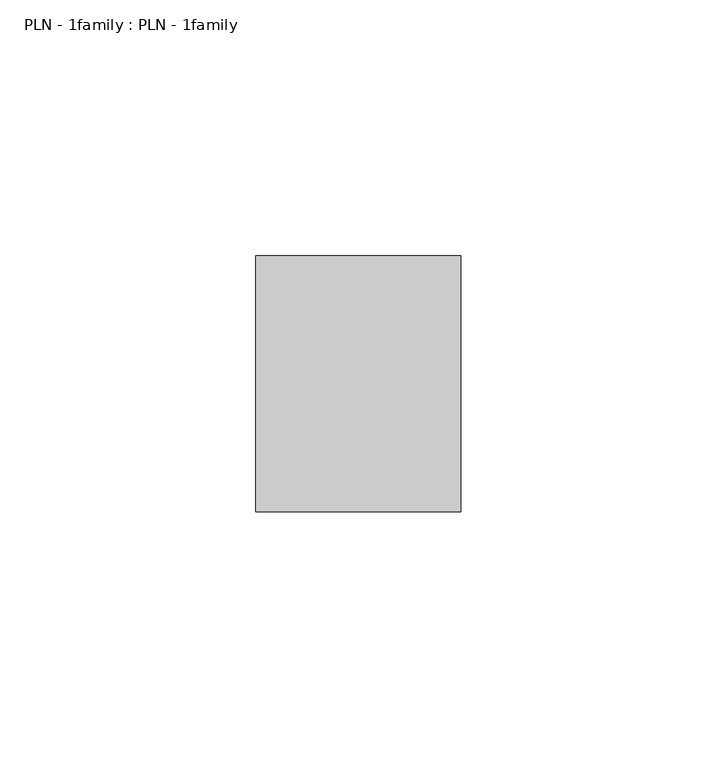
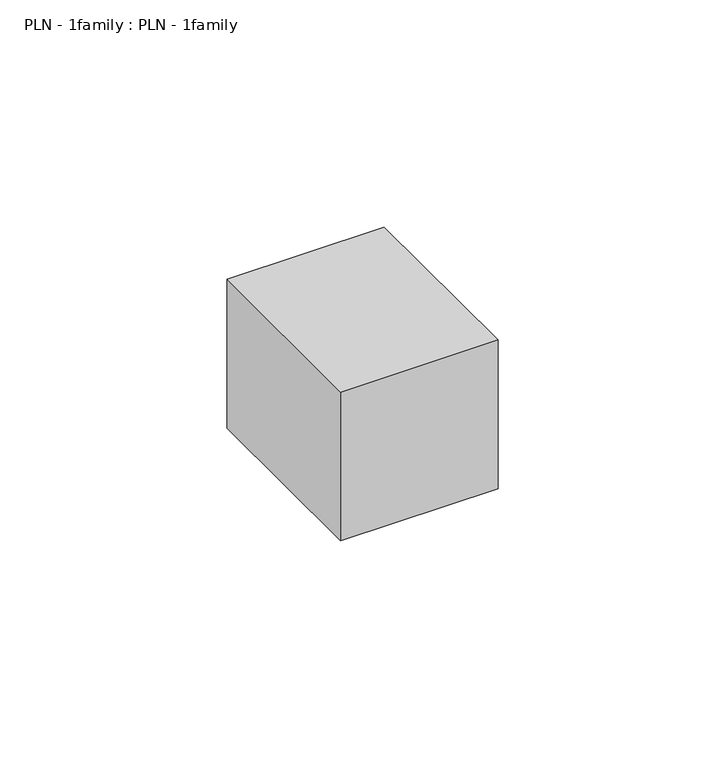
"""IFC4 building model written with IfcOpenShell, lengths in millimetres: proxy geometry, PLN - 1family : PLN - 1family."""

from ifc_helpers import new_model, si_unit, origin, origin_with_axes, place, context, project, spatial, polyline, outline, extrude, source, transform, mapped, element, save


def pln_1family_pln_1family_f3eff414(model_context):
    return source(origin(), model_context, "Body", "SweptSolid", [
        extrude(outline(polyline([(0.0, 50.0), (40.0, 50.0), (40.0, 0.0), (0.0, 0.0), (0.0, 50.0)])), origin_with_axes(), (0.0, 0.0, 1.0), 40.0),
    ])


if __name__ == "__main__":
    model = new_model("IFC4")
    model_context = context("Model", 3, world=origin())
    ifc_project = project(units=[si_unit("LENGTHUNIT", "METRE", prefix="MILLI")], contexts=[model_context])
    site = spatial("IfcSite", under=ifc_project)
    building = spatial("IfcBuilding", under=site)
    placement = place(None, origin())
    pln_1family_pln_1family_shape = pln_1family_pln_1family_f3eff414(model_context)
    element("IfcBuildingElementProxy", 1, Name="PLN - 1family : PLN - 1family", ObjectType="PLN - 1family : PLN - 1family", at=placement, inside=building, context=model_context, shape_type="MappedRepresentation", body=[
        mapped(pln_1family_pln_1family_shape, transform((0.0, 0.0, 0.0), x_axis=(1.0, 0.0, 0.0), y_axis=(0.0, 1.0, 0.0), z_axis=(0.0, 0.0, 1.0))),
    ])
    save(model, "model.ifc")
